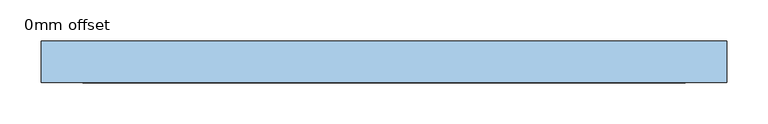
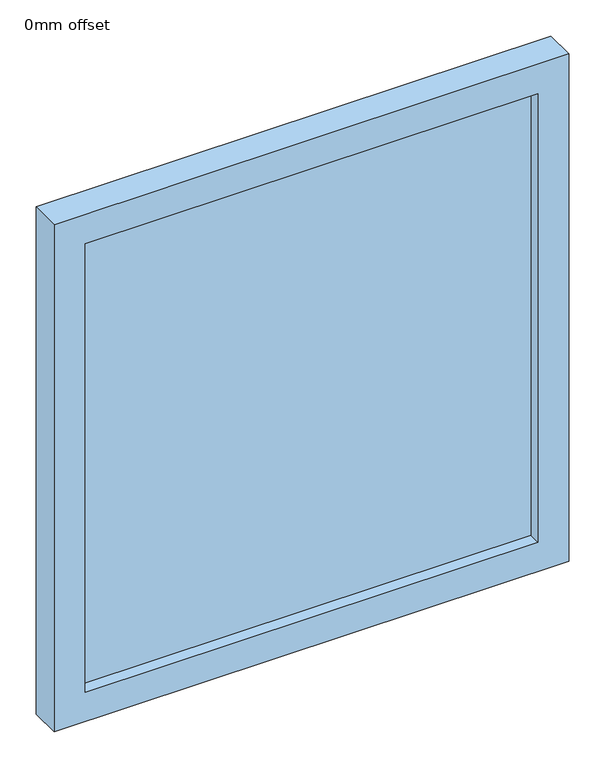
"""IFC4 building model written with IfcOpenShell, lengths in millimetres: window geometry, 0mm offset."""

from ifc_helpers import new_model, si_unit, frame, origin, place, context, project, spatial, polyline, outline, extrude, source, transform, mapped, element, save


def window_0mm_offset_b63c8992(model_context):
    return source(origin(), model_context, "Body", "SweptSolid", [
        extrude(outline(polyline([(363.125, -30.95), (-363.125, -30.95), (-363.125, -18.25), (363.125, -18.25), (363.125, -30.95)])), frame((0.0, 0.0, 50.0), z_axis=(0.0, 0.0, 1.0), x_axis=(1.0, 0.0, 0.0)), (0.0, 0.0, 1.0), 760.0),
        extrude(outline(polyline([(860.0, -413.125), (0.0, -413.125), (0.0, 413.125), (860.0, 413.125), (860.0, -413.125)]), holes=[polyline([(810.0, -363.125), (810.0, 363.125), (50.0, 363.125), (50.0, -363.125), (810.0, -363.125)])]), frame((0.0, -50.0, 0.0), z_axis=(0.0, 1.0, 0.0), x_axis=(0.0, 0.0, 1.0)), (0.0, 0.0, 1.0), 50.0),
    ])


if __name__ == "__main__":
    model = new_model("IFC4")
    model_context = context("Model", 3, world=origin())
    ifc_project = project(units=[si_unit("LENGTHUNIT", "METRE", prefix="MILLI")], contexts=[model_context])
    site = spatial("IfcSite", under=ifc_project)
    building = spatial("IfcBuilding", under=site)
    placement = place(None, origin())
    window_0mm_offset_shape = window_0mm_offset_b63c8992(model_context)
    element("IfcWindow", 1, ObjectType="0mm offset", at=placement, inside=building, context=model_context, shape_type="MappedRepresentation", body=[
        mapped(window_0mm_offset_shape, transform((0.0, 0.0, 0.0), x_axis=(1.0, 0.0, 0.0), y_axis=(0.0, 1.0, 0.0), z_axis=(0.0, 0.0, 1.0))),
    ])
    save(model, "model.ifc")
